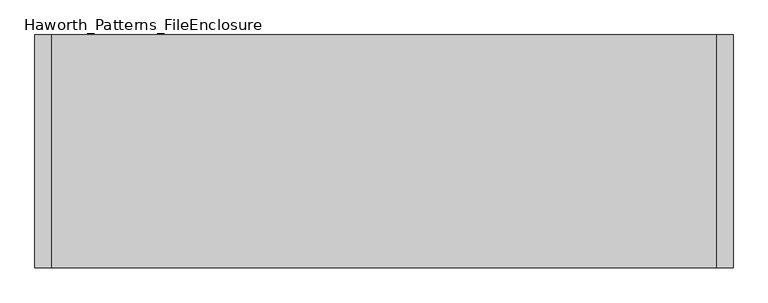
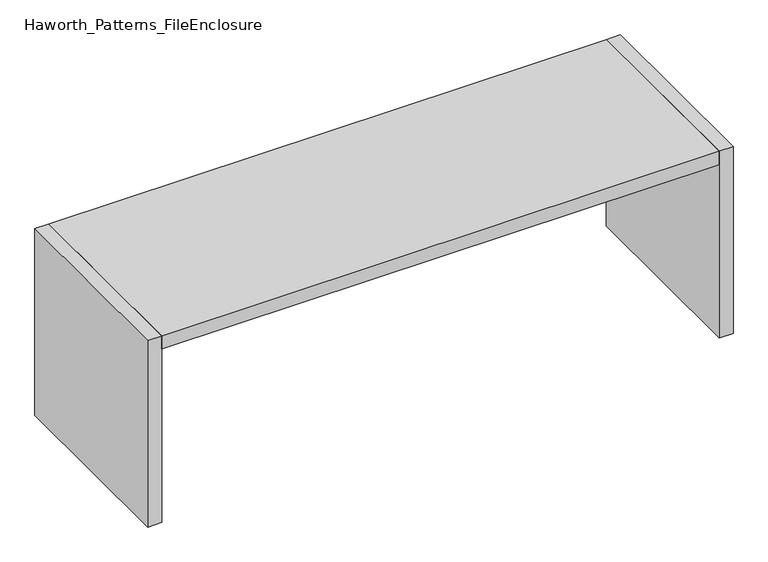
"""IFC4 building model written with IfcOpenShell, lengths in millimetres: furniture geometry, Haworth_Patterns_FileEnclosure."""

import ifcopenshell
import ifcopenshell.guid

model = None  # the IFC model being written
_history = None  # IfcOwnerHistory: only IFC2X3 demands one
_inside = {}  # id of a spatial element -> (the spatial element, [elements in it])
_under = {}  # id of a project, library or spatial element -> (it, [spatial elements below it])
_declared = {}  # id of a project -> (the project, [libraries it declares])
_typed = {}  # id of a type object -> (the type object, [elements of that type])
_made_of = {}  # id of a material, layer set ... -> (it, [elements and type objects made of it])


def new_model(schema):
    """Start an empty IFC model of exactly this schema.

    Asked for "IFC4X3", IfcOpenShell would pick the latest addendum, in which some entities
    have other attributes; the version numbers below select the first issue.
    IFC2X3 requires an IfcOwnerHistory on every rooted entity: one is made here for all.
    """
    global model, _history
    if schema == "IFC4X3":
        model = ifcopenshell.file(schema_version=(4, 3, 0, 0))
    else:
        model = ifcopenshell.file(schema=schema)
    _inside.clear()
    _under.clear()
    _declared.clear()
    _typed.clear()
    _made_of.clear()
    _history = None
    if model.schema == "IFC2X3":
        org = make("IfcOrganization", Name="unknown")
        user = make(
            "IfcPersonAndOrganization",
            ThePerson=make("IfcPerson", FamilyName="unknown"),
            TheOrganization=org,
        )
        app = make(
            "IfcApplication",
            ApplicationDeveloper=org,
            Version="unknown",
            ApplicationFullName="unknown",
            ApplicationIdentifier="unknown",
        )
        _history = make(
            "IfcOwnerHistory",
            OwningUser=user,
            OwningApplication=app,
            ChangeAction="ADDED",
            CreationDate=0,
        )
    return model


def make(cls, **values):
    """One entity of the class cls with the attributes given. An attribute that is None is left unset."""
    return model.create_entity(
        cls, **{name: value for name, value in values.items() if value is not None}
    )


def rooted(cls, **values):
    """An entity with a GlobalId (a new one), such as an element, a storey or a relation."""
    return make(cls, GlobalId=ifcopenshell.guid.new(), OwnerHistory=_history, **values)


def si_unit(unit_type, name, prefix=None):
    """IfcSIUnit, for example si_unit("LENGTHUNIT", "METRE", prefix="MILLI")."""
    return make("IfcSIUnit", UnitType=unit_type, Prefix=prefix, Name=name)


def assignment(units):
    """IfcUnitAssignment: the units of a project."""
    return None if units is None else make("IfcUnitAssignment", Units=units)


def point(xyz):
    """IfcCartesianPoint."""
    return None if xyz is None else make("IfcCartesianPoint", Coordinates=xyz)


def direction(xyz):
    """IfcDirection."""
    return None if xyz is None else make("IfcDirection", DirectionRatios=xyz)


def frame(location, z_axis=None, x_axis=None):
    """IfcAxis2Placement3D, a coordinate frame: its origin and axes. An axis left out is left unset."""
    return make(
        "IfcAxis2Placement3D",
        Location=point(location),
        Axis=direction(z_axis),
        RefDirection=direction(x_axis),
    )


def origin():
    """The frame at (0, 0, 0) with its axes left unset."""
    return frame((0.0, 0.0, 0.0))


def origin_with_axes():
    """The frame at (0, 0, 0) with the z axis (0, 0, 1) and the x axis (1, 0, 0) written out."""
    return frame((0.0, 0.0, 0.0), z_axis=(0.0, 0.0, 1.0), x_axis=(1.0, 0.0, 0.0))


def place(relative_to, where):
    """IfcLocalPlacement: puts the frame where relative to a parent placement (None: the world)."""
    return make(
        "IfcLocalPlacement", PlacementRelTo=relative_to, RelativePlacement=where
    )


def context(
    kind, dimensions, precision=None, world=None, true_north=None, identifier=None
):
    """IfcGeometricRepresentationContext, for example the 3D "Model" context."""
    return make(
        "IfcGeometricRepresentationContext",
        ContextIdentifier=identifier,
        ContextType=kind,
        CoordinateSpaceDimension=dimensions,
        Precision=precision,
        WorldCoordinateSystem=world,
        TrueNorth=true_north,
    )


def project(units=None, contexts=None):
    """IfcProject with its units and contexts."""
    return rooted(
        "IfcProject",
        Name="project",
        RepresentationContexts=contexts,
        UnitsInContext=assignment(units),
    )


def spatial(cls, under=None, at=None, **own):
    """A site, building, storey or space (cls), placed at a placement, below another one or the project."""
    s = rooted(cls, ObjectPlacement=at, **own)
    if under is not None:
        _under.setdefault(under.id(), (under, []))[1].append(s)
    return s


def polyline(points):
    """IfcPolyline through the points."""
    return make("IfcPolyline", Points=[point(p) for p in points])


def outline(outer, holes=None, kind="AREA"):
    """IfcArbitraryClosedProfileDef: a profile drawn as a closed curve; with holes, ...WithVoids."""
    if holes is None:
        return make("IfcArbitraryClosedProfileDef", ProfileType=kind, OuterCurve=outer)
    return make(
        "IfcArbitraryProfileDefWithVoids",
        ProfileType=kind,
        OuterCurve=outer,
        InnerCurves=holes,
    )


def extrude(swept, where, along, depth):
    """IfcExtrudedAreaSolid: the profile swept, set in the frame where, extruded along a direction by depth."""
    return make(
        "IfcExtrudedAreaSolid",
        SweptArea=swept,
        Position=where,
        ExtrudedDirection=direction(along),
        Depth=depth,
    )


def shape(context_of_items, identifier, shape_type, items):
    """IfcShapeRepresentation: the items that make up one representation, for example the "Body"."""
    return make(
        "IfcShapeRepresentation",
        ContextOfItems=context_of_items,
        RepresentationIdentifier=identifier,
        RepresentationType=shape_type,
        Items=items,
    )


def source(mapping_origin, context_of_items, identifier, shape_type, items):
    """IfcRepresentationMap: a shape defined once, which mapped items show again and again."""
    return make(
        "IfcRepresentationMap",
        MappingOrigin=mapping_origin,
        MappedRepresentation=shape(context_of_items, identifier, shape_type, items),
    )


def transform(
    local_origin,
    x_axis=None,
    y_axis=None,
    z_axis=None,
    scale=None,
    scale2=None,
    scale3=None,
    uniform=True,
):
    """IfcCartesianTransformationOperator3D, or its non-uniform kind. x_axis, y_axis, z_axis: its Axis1, 2, 3."""
    if uniform:
        return make(
            "IfcCartesianTransformationOperator3D",
            Axis1=direction(x_axis),
            Axis2=direction(y_axis),
            LocalOrigin=point(local_origin),
            Scale=scale,
            Axis3=direction(z_axis),
        )
    return make(
        "IfcCartesianTransformationOperator3DnonUniform",
        Axis1=direction(x_axis),
        Axis2=direction(y_axis),
        LocalOrigin=point(local_origin),
        Scale=scale,
        Axis3=direction(z_axis),
        Scale2=scale2,
        Scale3=scale3,
    )


def mapped(mapping_source, mapping_target):
    """IfcMappedItem: shows the shape of a source again, moved by a transform."""
    return make(
        "IfcMappedItem", MappingSource=mapping_source, MappingTarget=mapping_target
    )


def made_of(thing, what):
    """Note that an element or type object is made of a material, layer set ...; save() writes the relation."""
    if what is not None:
        _made_of.setdefault(what.id(), (what, []))[1].append(thing)
    return thing


def element(
    cls,
    number,
    at=None,
    inside=None,
    cuts=None,
    type_object=None,
    material=None,
    context=None,
    identifier="Body",
    shape_type=None,
    held_by="IfcProductDefinitionShape",
    body=None,
    shapes=None,
    **own,
):
    """One element of the class cls, such as IfcWall. Its Tag is "e" and its number.

    at: its placement. inside: the storey or other place that contains it. cuts: it is an
    opening in that element (IfcRelVoidsElement). A single representation is given by context,
    identifier, shape_type and body (its items); several are given by shapes. held_by: the class
    of the entity that holds the representations. save() writes the other relations.
    """
    e = rooted(cls, Tag="e%d" % number, ObjectPlacement=at, **own)
    if body is not None:
        shapes = [shape(context, identifier, shape_type, body)]
    if shapes is not None:
        e.Representation = make(held_by, Representations=shapes)
    if inside is not None:
        _inside.setdefault(inside.id(), (inside, []))[1].append(e)
    if cuts is not None:
        rooted(
            "IfcRelVoidsElement", RelatingBuildingElement=cuts, RelatedOpeningElement=e
        )
    if type_object is not None:
        _typed.setdefault(type_object.id(), (type_object, []))[1].append(e)
    return made_of(e, material)


def aggregate(whole, parts):
    """IfcRelAggregates: a whole, such as a stair, and the parts it consists of."""
    return rooted("IfcRelAggregates", RelatingObject=whole, RelatedObjects=parts)


def save(model, path):
    """Write the relations noted so far, then the file.

    IfcRelAggregates (storeys below a building ...), IfcRelContainedInSpatialStructure (elements
    in a storey), IfcRelDefinesByType, IfcRelAssociatesMaterial and IfcRelDeclares: one each for
    every whole, place, type object, material and project.
    """
    for whole, parts in _under.values():
        aggregate(whole, parts)
    for where, things in _inside.values():
        rooted(
            "IfcRelContainedInSpatialStructure",
            RelatedElements=things,
            RelatingStructure=where,
        )
    for kind, things in _typed.values():
        rooted("IfcRelDefinesByType", RelatedObjects=things, RelatingType=kind)
    for what, things in _made_of.values():
        rooted("IfcRelAssociatesMaterial", RelatedObjects=things, RelatingMaterial=what)
    for by, libraries in _declared.values():
        rooted("IfcRelDeclares", RelatingContext=by, RelatedDefinitions=libraries)
    model.write(path)


def haworth_patterns_fileenclosure_85bdb891(model_context):
    return source(origin(), model_context, "Body", "SweptSolid", [
        extrude(outline(polyline([(1524.0, 0.0), (1524.0, -1066.8), (-1524.0, -1066.8), (-1524.0, 0.0), (1524.0, 0.0)])), frame((0.0, 0.0, 1003.3), z_axis=(0.0, 0.0, 1.0), x_axis=(1.0, 0.0, 0.0)), (0.0, 0.0, 1.0), 76.2),
        extrude(outline(polyline([(1524.0, 0.0), (1600.2, 0.0), (1600.2, -1066.8), (1524.0, -1066.8), (1524.0, 0.0)])), origin_with_axes(), (0.0, 0.0, 1.0), 1079.5),
        extrude(outline(polyline([(-1524.0, 0.0), (-1524.0, -1066.8), (-1600.2, -1066.8), (-1600.2, 0.0), (-1524.0, 0.0)])), origin_with_axes(), (0.0, 0.0, 1.0), 1079.5),
    ])


if __name__ == "__main__":
    model = new_model("IFC4")
    model_context = context("Model", 3, world=origin())
    ifc_project = project(units=[si_unit("LENGTHUNIT", "METRE", prefix="MILLI")], contexts=[model_context])
    site = spatial("IfcSite", under=ifc_project)
    building = spatial("IfcBuilding", under=site)
    placement = place(None, origin())
    haworth_patterns_fileenclosure_shape = haworth_patterns_fileenclosure_85bdb891(model_context)
    element("IfcFurniture", 1, ObjectType="Haworth_Patterns_FileEnclosure", at=placement, inside=building, context=model_context, shape_type="MappedRepresentation", body=[
        mapped(haworth_patterns_fileenclosure_shape, transform((0.0, 0.0, 0.0), x_axis=(1.0, 0.0, 0.0), y_axis=(0.0, 1.0, 0.0), z_axis=(0.0, 0.0, 1.0))),
    ])
    save(model, "model.ifc")
